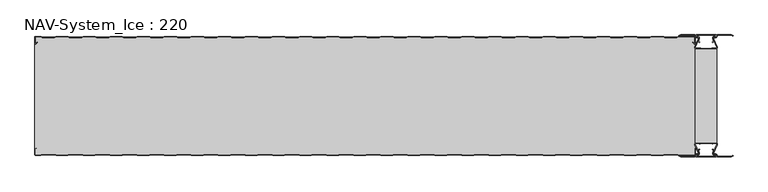
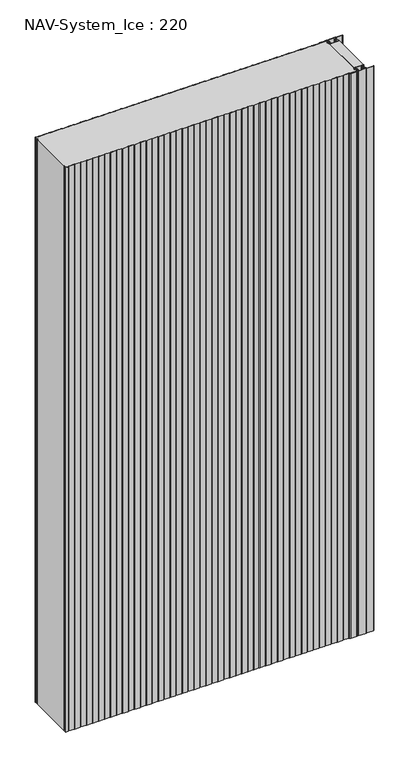
"""IFC4 building model written with IfcOpenShell, lengths in millimetres: plate geometry, NAV-System_Ice : 220."""

from ifc_helpers import new_model, si_unit, point, frame_2d, origin, origin_with_axes, place, context, project, spatial, polyline, circle_curve, trimmed, segment, composite_curve, outline, extrude, source, transform, mapped, element, save


def nav_system_ice_220_241b7546(model_context):
    return source(origin(), model_context, "Body", "SweptSolid", [
        extrude(outline(polyline([(630.0, -196.9693935), (590.0, -196.9693935), (590.0, -23.0306065), (630.0, -23.0306065), (630.0, -196.9693935)])), origin_with_axes(), (0.0, 0.0, 1.0), 2500.0),
        extrude(outline(composite_curve([segment(trimmed(circle_curve(frame_2d((599.1138734, -211.8417863)), 3.357884), [point((596.1169606, -213.3563483))], [point((597.7243711, -208.7848813))], False, "CARTESIAN"), True, "CONTINUOUS"), segment(polyline([(597.7243711, -208.7848813), (598.0554135, -209.5131744)]), True, "CONTINUOUS"), segment(trimmed(circle_curve(frame_2d((599.1138734, -211.8417863)), 2.557884), [point((598.0554135, -209.5131744))], [point((596.8448746, -213.0226397))], True, "CARTESIAN"), True, "CONTINUOUS"), segment(polyline([(596.8448746, -213.0226397), (597.7376807, -215.2182139)]), True, "CONTINUOUS"), segment(trimmed(circle_curve(frame_2d((593.7962884, -216.3456266)), 4.0994674), [point((597.7376807, -215.2182139))], [point((593.7866434, -220.4450826))], False, "CARTESIAN"), True, "CONTINUOUS"), segment(polyline([(593.7866434, -220.4450826), (592.2194901, -220.4092333)]), True, "CONTINUOUS"), segment(trimmed(circle_curve(frame_2d((592.2592624, -221.3027113)), 0.8943628), [point((592.2194901, -220.4092333))], [point((592.2592624, -222.1970741))], True, "CARTESIAN"), True, "CONTINUOUS"), segment(polyline([(592.2592624, -222.1970741), (627.7407376, -222.1970741)]), True, "CONTINUOUS"), segment(trimmed(circle_curve(frame_2d((627.7407376, -221.3027113)), 0.8943628), [point((627.7407376, -222.1970741))], [point((627.7805099, -220.4092333))], True, "CARTESIAN"), True, "CONTINUOUS"), segment(polyline([(627.7805099, -220.4092333), (626.2133566, -220.4450826)]), True, "CONTINUOUS"), segment(trimmed(circle_curve(frame_2d((626.2037116, -216.3456266)), 4.0994674), [point((626.2133566, -220.4450826))], [point((622.2623193, -215.2182139))], False, "CARTESIAN"), True, "CONTINUOUS"), segment(polyline([(622.2623193, -215.2182139), (623.1551254, -213.0226397)]), True, "CONTINUOUS"), segment(trimmed(circle_curve(frame_2d((620.8861266, -211.8417863)), 2.557884), [point((623.1551254, -213.0226397))], [point((621.9445865, -209.5131744))], True, "CARTESIAN"), True, "CONTINUOUS"), segment(polyline([(621.9445865, -209.5131744), (622.2756289, -208.7848813)]), True, "CONTINUOUS"), segment(trimmed(circle_curve(frame_2d((620.8861266, -211.8417863)), 3.357884), [point((622.2756289, -208.7848813))], [point((623.8830394, -213.3563483))], False, "CARTESIAN"), True, "CONTINUOUS"), segment(polyline([(623.8830394, -213.3563483), (623.0205049, -215.4774793)]), True, "CONTINUOUS"), segment(trimmed(circle_curve(frame_2d((626.2037116, -216.3456266)), 3.2994674), [point((623.0205049, -215.4774793))], [point((626.2037116, -219.645094))], True, "CARTESIAN"), True, "CONTINUOUS"), segment(polyline([(626.2037116, -219.645094), (627.7848884, -219.6089239)]), True, "CONTINUOUS"), segment(trimmed(circle_curve(frame_2d((627.7407376, -221.3027113)), 1.6943628), [point((627.7848884, -219.6089239))], [point((627.7407423, -222.9970741))], False, "CARTESIAN"), True, "CONTINUOUS"), segment(polyline([(627.7407423, -222.9970741), (592.2592577, -222.9970741)]), True, "CONTINUOUS"), segment(trimmed(circle_curve(frame_2d((592.2592624, -221.3027113)), 1.6943628), [point((592.2592577, -222.9970741))], [point((592.2151116, -219.6089239))], False, "CARTESIAN"), True, "CONTINUOUS"), segment(polyline([(592.2151116, -219.6089239), (593.7962884, -219.645094)]), True, "CONTINUOUS"), segment(trimmed(circle_curve(frame_2d((593.7962884, -216.3456266)), 3.2994674), [point((593.7962884, -219.645094))], [point((596.9794951, -215.4774793))], True, "CARTESIAN"), True, "CONTINUOUS"), segment(polyline([(596.9794951, -215.4774793), (596.1169606, -213.3563483)]), True, "CONTINUOUS")], self_intersect=False)), origin_with_axes(), (0.0, 0.0, 1.0), 2500.0),
        extrude(outline(composite_curve([segment(polyline([(596.1169606, -6.6436517), (596.9794951, -4.5225207)]), True, "CONTINUOUS"), segment(trimmed(circle_curve(frame_2d((593.7962884, -3.6543734)), 3.2994674), [point((596.9794951, -4.5225207))], [point((593.7962884, -0.354906))], True, "CARTESIAN"), True, "CONTINUOUS"), segment(polyline([(593.7962884, -0.354906), (592.2151116, -0.3910761)]), True, "CONTINUOUS"), segment(trimmed(circle_curve(frame_2d((592.2592624, 1.3027113)), 1.6943628), [point((592.2151116, -0.3910761))], [point((592.2592577, 2.9970741))], False, "CARTESIAN"), True, "CONTINUOUS"), segment(polyline([(592.2592577, 2.9970741), (627.7407423, 2.9970741)]), True, "CONTINUOUS"), segment(trimmed(circle_curve(frame_2d((627.7407376, 1.3027113)), 1.6943628), [point((627.7407423, 2.9970741))], [point((627.7848884, -0.3910761))], False, "CARTESIAN"), True, "CONTINUOUS"), segment(polyline([(627.7848884, -0.3910761), (626.2037116, -0.354906)]), True, "CONTINUOUS"), segment(trimmed(circle_curve(frame_2d((626.2037116, -3.6543734)), 3.2994674), [point((626.2037116, -0.354906))], [point((623.0205049, -4.5225207))], True, "CARTESIAN"), True, "CONTINUOUS"), segment(polyline([(623.0205049, -4.5225207), (623.8830394, -6.6436517)]), True, "CONTINUOUS"), segment(trimmed(circle_curve(frame_2d((620.8861266, -8.1582137)), 3.357884), [point((623.8830394, -6.6436517))], [point((622.2756289, -11.2151187))], False, "CARTESIAN"), True, "CONTINUOUS"), segment(polyline([(622.2756289, -11.2151187), (621.9445865, -10.4868256)]), True, "CONTINUOUS"), segment(trimmed(circle_curve(frame_2d((620.8861266, -8.1582137)), 2.557884), [point((621.9445865, -10.4868256))], [point((623.1551254, -6.9773603))], True, "CARTESIAN"), True, "CONTINUOUS"), segment(polyline([(623.1551254, -6.9773603), (622.2623193, -4.7817861)]), True, "CONTINUOUS"), segment(trimmed(circle_curve(frame_2d((626.2037116, -3.6543734)), 4.0994674), [point((622.2623193, -4.7817861))], [point((626.2133566, 0.4450826))], False, "CARTESIAN"), True, "CONTINUOUS"), segment(polyline([(626.2133566, 0.4450826), (627.7805099, 0.4092333)]), True, "CONTINUOUS"), segment(trimmed(circle_curve(frame_2d((627.7407376, 1.3027113)), 0.8943628), [point((627.7805099, 0.4092333))], [point((627.7407376, 2.1970741))], True, "CARTESIAN"), True, "CONTINUOUS"), segment(polyline([(627.7407376, 2.1970741), (592.2592624, 2.1970741)]), True, "CONTINUOUS"), segment(trimmed(circle_curve(frame_2d((592.2592624, 1.3027113)), 0.8943628), [point((592.2592624, 2.1970741))], [point((592.2194901, 0.4092333))], True, "CARTESIAN"), True, "CONTINUOUS"), segment(polyline([(592.2194901, 0.4092333), (593.7866434, 0.4450826)]), True, "CONTINUOUS"), segment(trimmed(circle_curve(frame_2d((593.7962884, -3.6543734)), 4.0994674), [point((593.7866434, 0.4450826))], [point((597.7376807, -4.7817861))], False, "CARTESIAN"), True, "CONTINUOUS"), segment(polyline([(597.7376807, -4.7817861), (596.8448746, -6.9773603)]), True, "CONTINUOUS"), segment(trimmed(circle_curve(frame_2d((599.1138734, -8.1582137)), 2.557884), [point((596.8448746, -6.9773603))], [point((598.0554135, -10.4868256))], True, "CARTESIAN"), True, "CONTINUOUS"), segment(polyline([(598.0554135, -10.4868256), (597.7243711, -11.2151187)]), True, "CONTINUOUS"), segment(trimmed(circle_curve(frame_2d((599.1138734, -8.1582137)), 3.357884), [point((597.7243711, -11.2151187))], [point((596.1169606, -6.6436517))], False, "CARTESIAN"), True, "CONTINUOUS")], self_intersect=False)), origin_with_axes(), (0.0, 0.0, 1.0), 2500.0),
        extrude(outline(composite_curve([segment(trimmed(circle_curve(frame_2d((591.9446371, -199.7746821)), 1.80576), [point((591.9446371, -197.9689221))], [point((590.2170288, -200.300171))], True, "CARTESIAN"), True, "CONTINUOUS"), segment(polyline([(590.2170288, -200.300171), (596.4690067, -214.9459892)]), True, "CONTINUOUS"), segment(trimmed(circle_curve(frame_2d((593.7254406, -215.9868127)), 2.93436), [point((596.4690067, -214.9459892))], [point((593.7254406, -218.9211727))], False, "CARTESIAN"), True, "CONTINUOUS"), segment(polyline([(593.7254406, -218.9211727), (592.1347887, -218.9211727)]), True, "CONTINUOUS"), segment(trimmed(circle_curve(frame_2d((592.1347887, -220.5012127)), 1.58004), [point((592.1347887, -218.9211727))], [point((590.931072, -219.4776931))], True, "CARTESIAN"), True, "CONTINUOUS"), segment(polyline([(590.931072, -219.4776931), (589.0191946, -223.0112573), (562.9417977, -223.0112573), (560.0, -221.2043676), (560.523373, -220.3522639), (563.2243806, -222.0112573), (588.4232658, -222.0112573), (590.0952671, -218.9210361)]), True, "CONTINUOUS"), segment(trimmed(circle_curve(frame_2d((592.1347887, -220.5012127)), 2.58004), [point((590.0952671, -218.9210361))], [point((592.1347887, -217.9211727))], False, "CARTESIAN"), True, "CONTINUOUS"), segment(polyline([(592.1347887, -217.9211727), (593.7254406, -217.9211727)]), True, "CONTINUOUS"), segment(trimmed(circle_curve(frame_2d((593.7254406, -215.9868127)), 1.93436), [point((593.7254406, -217.9211727))], [point((595.5404425, -215.3178459))], True, "CARTESIAN"), True, "CONTINUOUS"), segment(polyline([(595.5404425, -215.3178459), (589.2784311, -200.6484726)]), True, "CONTINUOUS"), segment(trimmed(circle_curve(frame_2d((591.9446225, -199.7747413)), 2.8057055), [point((589.2784311, -200.6484726))], [point((591.9446225, -196.9690357))], False, "CARTESIAN"), True, "CONTINUOUS"), segment(polyline([(591.9446225, -196.9690357), (595.755568, -196.9690357)]), True, "CONTINUOUS"), segment(trimmed(circle_curve(frame_2d((595.7555679, -199.0975873)), 2.1285516), [point((595.755568, -196.9690357))], [point((597.1042828, -197.4508633))], False, "CARTESIAN"), True, "CONTINUOUS"), segment(trimmed(circle_curve(frame_2d((598.2552034, -196.0456377)), 1.8163913), [point((597.1042828, -197.4508633))], [point((599.4059468, -197.4510085))], True, "CARTESIAN"), True, "CONTINUOUS"), segment(trimmed(circle_curve(frame_2d((600.7543352, -199.0977575)), 2.128364), [point((599.4059468, -197.4510085))], [point((600.7543352, -196.9693935))], False, "CARTESIAN"), True, "CONTINUOUS"), segment(polyline([(600.7543352, -196.9693935), (619.2454674, -196.9693935)]), True, "CONTINUOUS"), segment(trimmed(circle_curve(frame_2d((619.2454674, -199.0977884)), 2.1283949), [point((619.2454674, -196.9693935))], [point((620.594293, -197.4513576))], False, "CARTESIAN"), True, "CONTINUOUS"), segment(trimmed(circle_curve(frame_2d((621.7456338, -196.0459847)), 1.8167715), [point((620.594293, -197.4513576))], [point((622.8963798, -197.4518446))], True, "CARTESIAN"), True, "CONTINUOUS"), segment(trimmed(circle_curve(frame_2d((624.244105, -199.0983528)), 2.1277576), [point((622.8963798, -197.4518446))], [point((624.244105, -196.9705952))], False, "CARTESIAN"), True, "CONTINUOUS"), segment(polyline([(624.244105, -196.9705952), (628.0535675, -196.9705952)]), True, "CONTINUOUS"), segment(trimmed(circle_curve(frame_2d((628.0535675, -199.7787791)), 2.8081839), [point((628.0535675, -196.9705952))], [point((630.7287795, -200.6326746))], False, "CARTESIAN"), True, "CONTINUOUS"), segment(polyline([(630.7287795, -200.6326746), (624.4595575, -215.3178459)]), True, "CONTINUOUS"), segment(trimmed(circle_curve(frame_2d((626.2745595, -215.9868127)), 1.93436), [point((624.4595575, -215.3178459))], [point((626.2745595, -217.9211727))], True, "CARTESIAN"), True, "CONTINUOUS"), segment(polyline([(626.2745595, -217.9211727), (627.8652113, -217.9211727)]), True, "CONTINUOUS"), segment(trimmed(circle_curve(frame_2d((627.8652113, -220.5012127)), 2.58004), [point((627.8652113, -217.9211727))], [point((629.9047329, -218.9210361))], False, "CARTESIAN"), True, "CONTINUOUS"), segment(polyline([(629.9047329, -218.9210361), (631.5767342, -222.0112573), (656.7756194, -222.0112573), (659.476627, -220.3522639), (660.0, -221.2043676), (657.0582024, -223.0112573), (630.9808054, -223.0112573), (629.068928, -219.4776931)]), True, "CONTINUOUS"), segment(trimmed(circle_curve(frame_2d((627.8652113, -220.5012127)), 1.58004), [point((629.068928, -219.4776931))], [point((627.8652113, -218.9211727))], True, "CARTESIAN"), True, "CONTINUOUS"), segment(polyline([(627.8652113, -218.9211727), (626.2745595, -218.9211727)]), True, "CONTINUOUS"), segment(trimmed(circle_curve(frame_2d((626.2745595, -215.9868127)), 2.93436), [point((626.2745595, -218.9211727))], [point((623.5309933, -214.9459892))], False, "CARTESIAN"), True, "CONTINUOUS"), segment(polyline([(623.5309933, -214.9459892), (629.7829713, -200.300171)]), True, "CONTINUOUS"), segment(trimmed(circle_curve(frame_2d((628.0553629, -199.7746822)), 1.80576), [point((629.7829713, -200.300171))], [point((628.0553629, -197.9689222))], True, "CARTESIAN"), True, "CONTINUOUS"), segment(polyline([(628.0553629, -197.9689222), (623.5184731, -197.9689222)]), True, "CONTINUOUS"), segment(trimmed(circle_curve(frame_2d((621.7449981, -196.0455076)), 2.6162449), [point((623.5184731, -197.9689222))], [point((619.7766029, -197.7689222))], False, "CARTESIAN"), True, "CONTINUOUS"), segment(polyline([(619.7766029, -197.7689222), (600.2233971, -197.7689222)]), True, "CONTINUOUS"), segment(trimmed(circle_curve(frame_2d((598.255002, -196.0455076)), 2.6162449), [point((600.2233971, -197.7689222))], [point((596.4815269, -197.9689221))], False, "CARTESIAN"), True, "CONTINUOUS"), segment(polyline([(596.4815269, -197.9689221), (591.9446371, -197.9689221)]), True, "CONTINUOUS")], self_intersect=False)), origin_with_axes(), (0.0, 0.0, 1.0), 2500.0),
        extrude(outline(composite_curve([segment(polyline([(591.9446371, -22.0310778), (596.4815269, -22.0310778)]), True, "CONTINUOUS"), segment(trimmed(circle_curve(frame_2d((598.2550019, -23.9544924)), 2.6162449), [point((596.4815269, -22.0310778))], [point((600.2233971, -22.2310778))], False, "CARTESIAN"), True, "CONTINUOUS"), segment(polyline([(600.2233971, -22.2310778), (619.7766029, -22.2310778)]), True, "CONTINUOUS"), segment(trimmed(circle_curve(frame_2d((621.7449981, -23.9544924)), 2.6162449), [point((619.7766029, -22.2310778))], [point((623.5184731, -22.0310778))], False, "CARTESIAN"), True, "CONTINUOUS"), segment(polyline([(623.5184731, -22.0310778), (628.0553629, -22.0310778)]), True, "CONTINUOUS"), segment(trimmed(circle_curve(frame_2d((628.0553629, -20.2253178)), 1.80576), [point((628.0553629, -22.0310778))], [point((629.7829712, -19.699829))], True, "CARTESIAN"), True, "CONTINUOUS"), segment(polyline([(629.7829712, -19.699829), (623.5309933, -5.0540108)]), True, "CONTINUOUS"), segment(trimmed(circle_curve(frame_2d((626.2745594, -4.0131873)), 2.93436), [point((623.5309933, -5.0540108))], [point((626.2745594, -1.0788273))], False, "CARTESIAN"), True, "CONTINUOUS"), segment(polyline([(626.2745594, -1.0788273), (627.8652113, -1.0788273)]), True, "CONTINUOUS"), segment(trimmed(circle_curve(frame_2d((627.8652113, 0.5012127)), 1.58004), [point((627.8652113, -1.0788273))], [point((629.068928, -0.5223069))], True, "CARTESIAN"), True, "CONTINUOUS"), segment(polyline([(629.068928, -0.5223069), (630.9808054, 3.0112573), (657.0582023, 3.0112573), (660.0, 1.2043676), (659.476627, 0.3522639), (656.7756194, 2.0112573), (631.5767342, 2.0112573), (629.9047329, -1.0789639)]), True, "CONTINUOUS"), segment(trimmed(circle_curve(frame_2d((627.8652113, 0.5012127)), 2.58004), [point((629.9047329, -1.0789639))], [point((627.8652113, -2.0788273))], False, "CARTESIAN"), True, "CONTINUOUS"), segment(polyline([(627.8652113, -2.0788273), (626.2745594, -2.0788273)]), True, "CONTINUOUS"), segment(trimmed(circle_curve(frame_2d((626.2745594, -4.0131873)), 1.93436), [point((626.2745594, -2.0788273))], [point((624.4595575, -4.6821541))], True, "CARTESIAN"), True, "CONTINUOUS"), segment(polyline([(624.4595575, -4.6821541), (630.7287795, -19.3673254)]), True, "CONTINUOUS"), segment(trimmed(circle_curve(frame_2d((628.0535675, -20.2212209)), 2.8081839), [point((630.7287795, -19.3673254))], [point((628.0535675, -23.0294048))], False, "CARTESIAN"), True, "CONTINUOUS"), segment(polyline([(628.0535675, -23.0294048), (624.244105, -23.0294048)]), True, "CONTINUOUS"), segment(trimmed(circle_curve(frame_2d((624.244105, -20.9016472)), 2.1277576), [point((624.244105, -23.0294048))], [point((622.8963798, -22.5481554))], False, "CARTESIAN"), True, "CONTINUOUS"), segment(trimmed(circle_curve(frame_2d((621.7456337, -23.9540153)), 1.8167716), [point((622.8963798, -22.5481554))], [point((620.5942929, -22.5486423))], True, "CARTESIAN"), True, "CONTINUOUS"), segment(trimmed(circle_curve(frame_2d((619.2454674, -20.9022116)), 2.1283949), [point((620.5942929, -22.5486423))], [point((619.2454674, -23.0306065))], False, "CARTESIAN"), True, "CONTINUOUS"), segment(polyline([(619.2454674, -23.0306065), (600.7543352, -23.0306065)]), True, "CONTINUOUS"), segment(trimmed(circle_curve(frame_2d((600.7543352, -20.9022425)), 2.128364), [point((600.7543352, -23.0306065))], [point((599.4059468, -22.5489915))], False, "CARTESIAN"), True, "CONTINUOUS"), segment(trimmed(circle_curve(frame_2d((598.2552034, -23.9543623)), 1.8163912), [point((599.4059468, -22.5489915))], [point((597.1042828, -22.5491367))], True, "CARTESIAN"), True, "CONTINUOUS"), segment(trimmed(circle_curve(frame_2d((595.7555679, -20.9024127)), 2.1285516), [point((597.1042828, -22.5491367))], [point((595.7555679, -23.0309643))], False, "CARTESIAN"), True, "CONTINUOUS"), segment(polyline([(595.7555679, -23.0309643), (591.9446225, -23.0309643)]), True, "CONTINUOUS"), segment(trimmed(circle_curve(frame_2d((591.9446225, -20.2252587)), 2.8057055), [point((591.9446225, -23.0309643))], [point((589.2784311, -19.3515274))], False, "CARTESIAN"), True, "CONTINUOUS"), segment(polyline([(589.2784311, -19.3515274), (595.5404425, -4.6821541)]), True, "CONTINUOUS"), segment(trimmed(circle_curve(frame_2d((593.7254406, -4.0131873)), 1.93436), [point((595.5404425, -4.6821541))], [point((593.7254406, -2.0788273))], True, "CARTESIAN"), True, "CONTINUOUS"), segment(polyline([(593.7254406, -2.0788273), (592.1347887, -2.0788273)]), True, "CONTINUOUS"), segment(trimmed(circle_curve(frame_2d((592.1347887, 0.5012127)), 2.58004), [point((592.1347887, -2.0788273))], [point((590.0952671, -1.0789639))], False, "CARTESIAN"), True, "CONTINUOUS"), segment(polyline([(590.0952671, -1.0789639), (588.4232658, 2.0112573), (563.2243806, 2.0112573), (560.523373, 0.3522639), (560.0, 1.2043676), (562.9417977, 3.0112573), (589.0191946, 3.0112573), (590.931072, -0.5223069)]), True, "CONTINUOUS"), segment(trimmed(circle_curve(frame_2d((592.1347887, 0.5012127)), 1.58004), [point((590.931072, -0.5223069))], [point((592.1347887, -1.0788273))], True, "CARTESIAN"), True, "CONTINUOUS"), segment(polyline([(592.1347887, -1.0788273), (593.7254406, -1.0788273)]), True, "CONTINUOUS"), segment(trimmed(circle_curve(frame_2d((593.7254406, -4.0131873)), 2.93436), [point((593.7254406, -1.0788273))], [point((596.4690067, -5.0540108))], False, "CARTESIAN"), True, "CONTINUOUS"), segment(polyline([(596.4690067, -5.0540108), (590.2170288, -19.699829)]), True, "CONTINUOUS"), segment(trimmed(circle_curve(frame_2d((591.9446371, -20.2253178)), 1.80576), [point((590.2170288, -19.699829))], [point((591.9446371, -22.0310778))], True, "CARTESIAN"), True, "CONTINUOUS")], self_intersect=False)), origin_with_axes(), (0.0, 0.0, 1.0), 2500.0),
        extrude(outline(composite_curve([segment(polyline([(559.1298221, -0.8), (556.1298221, -1.8), (533.8701779, -1.8), (530.8701779, -0.8), (509.1298221, -0.8), (506.1298221, -1.8), (483.8701779, -1.8), (480.8701779, -0.8), (459.1298221, -0.8), (456.1298221, -1.8), (433.8701779, -1.8), (430.8701779, -0.8), (409.1298221, -0.8), (406.1298221, -1.8), (383.8701779, -1.8), (380.8701779, -0.8), (359.1298221, -0.8), (356.1298221, -1.8), (333.8701779, -1.8), (330.8701779, -0.8), (309.1298221, -0.8), (306.1298221, -1.8), (283.8701779, -1.8), (280.8701779, -0.8), (259.1298221, -0.8), (256.1298221, -1.8), (233.8701779, -1.8), (230.8701779, -0.8), (209.1298221, -0.8), (206.1298221, -1.8), (183.8701779, -1.8), (180.8701779, -0.8), (159.1298221, -0.8), (156.1298221, -1.8), (133.8701779, -1.8), (130.8701779, -0.8), (109.1298221, -0.8), (106.1298221, -1.8), (83.8701779, -1.8), (80.8701779, -0.8), (59.1298221, -0.8), (56.1298221, -1.8), (33.8701779, -1.8), (30.8701779, -0.8), (9.1298221, -0.8), (6.1298221, -1.8), (-16.1298221, -1.8), (-19.1298221, -0.8), (-40.8701779, -0.8), (-43.8701779, -1.8), (-66.1298221, -1.8), (-69.1298221, -0.8), (-90.8701779, -0.8), (-93.8701779, -1.8), (-116.1298221, -1.8), (-119.1298221, -0.8), (-140.8701779, -0.8), (-143.8701779, -1.8), (-166.1298221, -1.8), (-169.1298221, -0.8), (-190.8701779, -0.8), (-193.8701779, -1.8), (-216.1298221, -1.8), (-219.1298221, -0.8), (-240.8701779, -0.8), (-243.8701779, -1.8), (-266.1298221, -1.8), (-269.1298221, -0.8), (-290.8701779, -0.8), (-293.8701779, -1.8), (-316.1298221, -1.8), (-319.1298221, -0.8), (-340.8701779, -0.8), (-343.8701779, -1.8), (-366.1298221, -1.8), (-369.1298221, -0.8), (-390.8701779, -0.8), (-393.8701779, -1.8), (-416.1298221, -1.8), (-419.1298221, -0.8), (-440.8701779, -0.8), (-443.8701779, -1.8), (-466.1298221, -1.8), (-469.1298221, -0.8), (-490.8701779, -0.8), (-493.8701779, -1.8), (-516.1298221, -1.8), (-519.1298221, -0.8), (-540.8701779, -0.8), (-543.8701779, -1.8), (-566.1298221, -1.8), (-569.1298221, -0.8), (-590.8701779, -0.8), (-593.8701779, -1.8), (-616.1298221, -1.8), (-619.1298221, -0.8), (-628.7, -0.8)]), True, "CONTINUOUS"), segment(trimmed(circle_curve(frame_2d((-628.7, -1.3)), 0.5), [point((-628.7, -0.8))], [point((-629.2, -1.3))], True, "CARTESIAN"), True, "CONTINUOUS"), segment(polyline([(-629.2, -1.3), (-629.2, -12.5857864)]), True, "CONTINUOUS"), segment(trimmed(circle_curve(frame_2d((-628.7, -12.5857864)), 0.5), [point((-629.2, -12.5857864))], [point((-628.3464466, -12.9393398))], True, "CARTESIAN"), True, "CONTINUOUS"), segment(polyline([(-628.3464466, -12.9393398), (-625.9205321, -10.5134253), (-625.3548467, -11.0791108), (-627.7807612, -13.5050253)]), True, "CONTINUOUS"), segment(trimmed(circle_curve(frame_2d((-628.7, -12.5857864)), 1.3), [point((-627.7807612, -13.5050253))], [point((-630.0, -12.5857864))], False, "CARTESIAN"), True, "CONTINUOUS"), segment(polyline([(-630.0, -12.5857864), (-630.0, -1.3)]), True, "CONTINUOUS"), segment(trimmed(circle_curve(frame_2d((-628.7, -1.3)), 1.3), [point((-630.0, -1.3))], [point((-628.7, 0.0))], False, "CARTESIAN"), True, "CONTINUOUS"), segment(polyline([(-628.7, 0.0), (-619.0, 0.0), (-616.0, -1.0), (-594.0, -1.0), (-591.0, 0.0), (-569.0, 0.0), (-566.0, -1.0), (-544.0, -1.0), (-541.0, 0.0), (-519.0, 0.0), (-516.0, -1.0), (-494.0, -1.0), (-491.0, 0.0), (-469.0, 0.0), (-466.0, -1.0), (-444.0, -1.0), (-441.0, 0.0), (-419.0, 0.0), (-416.0, -1.0), (-394.0, -1.0), (-391.0, 0.0), (-369.0, 0.0), (-366.0, -1.0), (-344.0, -1.0), (-341.0, 0.0), (-319.0, 0.0), (-316.0, -1.0), (-294.0, -1.0), (-291.0, 0.0), (-269.0, 0.0), (-266.0, -1.0), (-244.0, -1.0), (-241.0, 0.0), (-219.0, 0.0), (-216.0, -1.0), (-194.0, -1.0), (-191.0, 0.0), (-169.0, 0.0), (-166.0, -1.0), (-144.0, -1.0), (-141.0, 0.0), (-119.0, 0.0), (-116.0, -1.0), (-94.0, -1.0), (-91.0, 0.0), (-69.0, 0.0), (-66.0, -1.0), (-44.0, -1.0), (-41.0, 0.0), (-19.0, 0.0), (-16.0, -1.0), (6.0, -1.0), (9.0, 0.0), (31.0, 0.0), (34.0, -1.0), (56.0, -1.0), (59.0, 0.0), (81.0, 0.0), (84.0, -1.0), (106.0, -1.0), (109.0, 0.0), (131.0, 0.0), (134.0, -1.0), (156.0, -1.0), (159.0, 0.0), (181.0, 0.0), (184.0, -1.0), (206.0, -1.0), (209.0, 0.0), (231.0, 0.0), (234.0, -1.0), (256.0, -1.0), (259.0, 0.0), (281.0, 0.0), (284.0, -1.0), (306.0, -1.0), (309.0, 0.0), (331.0, 0.0), (334.0, -1.0), (356.0, -1.0), (359.0, 0.0), (381.0, 0.0), (384.0, -1.0), (406.0, -1.0), (409.0, 0.0), (431.0, 0.0), (434.0, -1.0), (456.0, -1.0), (459.0, 0.0), (481.0, 0.0), (484.0, -1.0), (506.0, -1.0), (509.0, 0.0), (531.0, 0.0), (534.0, -1.0), (556.0, -1.0), (559.0, 0.0), (588.7, 0.0)]), True, "CONTINUOUS"), segment(trimmed(circle_curve(frame_2d((588.7, -1.3)), 1.3), [point((588.7, 0.0))], [point((590.0, -1.3))], False, "CARTESIAN"), True, "CONTINUOUS"), segment(polyline([(590.0, -1.3), (590.0, -12.5857864)]), True, "CONTINUOUS"), segment(trimmed(circle_curve(frame_2d((588.7, -12.5857864)), 1.3), [point((590.0, -12.5857864))], [point((587.7807612, -13.5050253))], False, "CARTESIAN"), True, "CONTINUOUS"), segment(polyline([(587.7807612, -13.5050253), (585.3548467, -11.0791108), (585.9205321, -10.5134253), (588.3464466, -12.9393398)]), True, "CONTINUOUS"), segment(trimmed(circle_curve(frame_2d((588.7, -12.5857864)), 0.5), [point((588.3464466, -12.9393398))], [point((589.2, -12.5857864))], True, "CARTESIAN"), True, "CONTINUOUS"), segment(polyline([(589.2, -12.5857864), (589.2, -1.3)]), True, "CONTINUOUS"), segment(trimmed(circle_curve(frame_2d((588.7, -1.3)), 0.5), [point((589.2, -1.3))], [point((588.7, -0.8))], True, "CARTESIAN"), True, "CONTINUOUS"), segment(polyline([(588.7, -0.8), (559.1298221, -0.8)]), True, "CONTINUOUS")], self_intersect=False)), origin_with_axes(), (0.0, 0.0, 1.0), 2500.0),
        extrude(outline(composite_curve([segment(polyline([(559.1298221, -0.8), (588.7, -0.8)]), True, "CONTINUOUS"), segment(trimmed(circle_curve(frame_2d((588.7, -1.3)), 0.5), [point((588.7, -0.8))], [point((589.2, -1.3))], False, "CARTESIAN"), True, "CONTINUOUS"), segment(polyline([(589.2, -1.3), (589.2, -12.5857864)]), True, "CONTINUOUS"), segment(trimmed(circle_curve(frame_2d((588.7, -12.5857864)), 0.5), [point((589.2, -12.5857864))], [point((588.3464466, -12.9393398))], False, "CARTESIAN"), True, "CONTINUOUS"), segment(polyline([(588.3464466, -12.9393398), (585.9205321, -10.5134253), (585.3548467, -11.0791108), (587.7807612, -13.5050253)]), True, "CONTINUOUS"), segment(trimmed(circle_curve(frame_2d((588.7, -12.5857864)), 1.3), [point((587.7807612, -13.5050253))], [point((588.7, -13.8857864))], True, "CARTESIAN"), True, "CONTINUOUS"), segment(polyline([(588.7, -13.8857864), (590.0, -13.8857864), (590.0, -206.1142136), (588.7, -206.1142136)]), True, "CONTINUOUS"), segment(trimmed(circle_curve(frame_2d((588.7, -207.4142136)), 1.3), [point((588.7, -206.1142136))], [point((587.7807612, -206.4949747))], True, "CARTESIAN"), True, "CONTINUOUS"), segment(polyline([(587.7807612, -206.4949747), (585.3548467, -208.9208892), (585.9205321, -209.4865747), (588.3464466, -207.0606602)]), True, "CONTINUOUS"), segment(trimmed(circle_curve(frame_2d((588.7, -207.4142136)), 0.5), [point((588.3464466, -207.0606602))], [point((589.2, -207.4142136))], False, "CARTESIAN"), True, "CONTINUOUS"), segment(polyline([(589.2, -207.4142136), (589.2, -218.7)]), True, "CONTINUOUS"), segment(trimmed(circle_curve(frame_2d((588.7, -218.7)), 0.5), [point((589.2, -218.7))], [point((588.7, -219.2))], False, "CARTESIAN"), True, "CONTINUOUS"), segment(polyline([(588.7, -219.2), (559.1298221, -219.2), (556.1298221, -218.2), (533.8701779, -218.2), (530.8701779, -219.2), (509.1298221, -219.2), (506.1298221, -218.2), (483.8701779, -218.2), (480.8701779, -219.2), (459.1298221, -219.2), (456.1298221, -218.2), (433.8701779, -218.2), (430.8701779, -219.2), (409.1298221, -219.2), (406.1298221, -218.2), (383.8701779, -218.2), (380.8701779, -219.2), (359.1298221, -219.2), (356.1298221, -218.2), (333.8701779, -218.2), (330.8701779, -219.2), (309.1298221, -219.2), (306.1298221, -218.2), (283.8701779, -218.2), (280.8701779, -219.2), (259.1298221, -219.2), (256.1298221, -218.2), (233.8701779, -218.2), (230.8701779, -219.2), (209.1298221, -219.2), (206.1298221, -218.2), (183.8701779, -218.2), (180.8701779, -219.2), (159.1298221, -219.2), (156.1298221, -218.2), (133.8701779, -218.2), (130.8701779, -219.2), (109.1298221, -219.2), (106.1298221, -218.2), (83.8701779, -218.2), (80.8701779, -219.2), (59.1298221, -219.2), (56.1298221, -218.2), (33.8701779, -218.2), (30.8701779, -219.2), (9.1298221, -219.2), (6.1298221, -218.2), (-16.1298221, -218.2), (-19.1298221, -219.2), (-40.8701779, -219.2), (-43.8701779, -218.2), (-66.1298221, -218.2), (-69.1298221, -219.2), (-90.8701779, -219.2), (-93.8701779, -218.2), (-116.1298221, -218.2), (-119.1298221, -219.2), (-140.8701779, -219.2), (-143.8701779, -218.2), (-166.1298221, -218.2), (-169.1298221, -219.2), (-190.8701779, -219.2), (-193.8701779, -218.2), (-216.1298221, -218.2), (-219.1298221, -219.2), (-240.8701779, -219.2), (-243.8701779, -218.2), (-266.1298221, -218.2), (-269.1298221, -219.2), (-290.8701779, -219.2), (-293.8701779, -218.2), (-316.1298221, -218.2), (-319.1298221, -219.2), (-340.8701779, -219.2), (-343.8701779, -218.2), (-366.1298221, -218.2), (-369.1298221, -219.2), (-390.8701779, -219.2), (-393.8701779, -218.2), (-416.1298221, -218.2), (-419.1298221, -219.2), (-440.8701779, -219.2), (-443.8701779, -218.2), (-466.1298221, -218.2), (-469.1298221, -219.2), (-490.8701779, -219.2), (-493.8701779, -218.2), (-516.1298221, -218.2), (-519.1298221, -219.2), (-540.8701779, -219.2), (-543.8701779, -218.2), (-566.1298221, -218.2), (-569.1298221, -219.2), (-590.8701779, -219.2), (-593.8701779, -218.2), (-616.1298221, -218.2), (-619.1298221, -219.2), (-628.7, -219.2)]), True, "CONTINUOUS"), segment(trimmed(circle_curve(frame_2d((-628.7, -218.7)), 0.5), [point((-628.7, -219.2))], [point((-629.2, -218.7))], False, "CARTESIAN"), True, "CONTINUOUS"), segment(polyline([(-629.2, -218.7), (-629.2, -207.4142136)]), True, "CONTINUOUS"), segment(trimmed(circle_curve(frame_2d((-628.7, -207.4142136)), 0.5), [point((-629.2, -207.4142136))], [point((-628.3464466, -207.0606602))], False, "CARTESIAN"), True, "CONTINUOUS"), segment(polyline([(-628.3464466, -207.0606602), (-625.9205321, -209.4865747), (-625.3548467, -208.9208892), (-627.7807612, -206.4949747)]), True, "CONTINUOUS"), segment(trimmed(circle_curve(frame_2d((-628.7, -207.4142136)), 1.3), [point((-627.7807612, -206.4949747))], [point((-628.7, -206.1142136))], True, "CARTESIAN"), True, "CONTINUOUS"), segment(polyline([(-628.7, -206.1142136), (-630.0, -206.1142136), (-630.0, -13.8857864), (-628.7, -13.8857864)]), True, "CONTINUOUS"), segment(trimmed(circle_curve(frame_2d((-628.7, -12.5857864)), 1.3), [point((-628.7, -13.8857864))], [point((-627.7807612, -13.5050253))], True, "CARTESIAN"), True, "CONTINUOUS"), segment(polyline([(-627.7807612, -13.5050253), (-625.3548467, -11.0791108), (-625.9205321, -10.5134253), (-628.3464466, -12.9393398)]), True, "CONTINUOUS"), segment(trimmed(circle_curve(frame_2d((-628.7, -12.5857864)), 0.5), [point((-628.3464466, -12.9393398))], [point((-629.2, -12.5857864))], False, "CARTESIAN"), True, "CONTINUOUS"), segment(polyline([(-629.2, -12.5857864), (-629.2, -1.3)]), True, "CONTINUOUS"), segment(trimmed(circle_curve(frame_2d((-628.7, -1.3)), 0.5), [point((-629.2, -1.3))], [point((-628.7, -0.8))], False, "CARTESIAN"), True, "CONTINUOUS"), segment(polyline([(-628.7, -0.8), (-619.1298221, -0.8), (-616.1298221, -1.8), (-593.8701779, -1.8), (-590.8701779, -0.8), (-569.1298221, -0.8), (-566.1298221, -1.8), (-543.8701779, -1.8), (-540.8701779, -0.8), (-519.1298221, -0.8), (-516.1298221, -1.8), (-493.8701779, -1.8), (-490.8701779, -0.8), (-469.1298221, -0.8), (-466.1298221, -1.8), (-443.8701779, -1.8), (-440.8701779, -0.8), (-419.1298221, -0.8), (-416.1298221, -1.8), (-393.8701779, -1.8), (-390.8701779, -0.8), (-369.1298221, -0.8), (-366.1298221, -1.8), (-343.8701779, -1.8), (-340.8701779, -0.8), (-319.1298221, -0.8), (-316.1298221, -1.8), (-293.8701779, -1.8), (-290.8701779, -0.8), (-269.1298221, -0.8), (-266.1298221, -1.8), (-243.8701779, -1.8), (-240.8701779, -0.8), (-219.1298221, -0.8), (-216.1298221, -1.8), (-193.8701779, -1.8), (-190.8701779, -0.8), (-169.1298221, -0.8), (-166.1298221, -1.8), (-143.8701779, -1.8), (-140.8701779, -0.8), (-119.1298221, -0.8), (-116.1298221, -1.8), (-93.8701779, -1.8), (-90.8701779, -0.8), (-69.1298221, -0.8), (-66.1298221, -1.8), (-43.8701779, -1.8), (-40.8701779, -0.8), (-19.1298221, -0.8), (-16.1298221, -1.8), (6.1298221, -1.8), (9.1298221, -0.8), (30.8701779, -0.8), (33.8701779, -1.8), (56.1298221, -1.8), (59.1298221, -0.8), (80.8701779, -0.8), (83.8701779, -1.8), (106.1298221, -1.8), (109.1298221, -0.8), (130.8701779, -0.8), (133.8701779, -1.8), (156.1298221, -1.8), (159.1298221, -0.8), (180.8701779, -0.8), (183.8701779, -1.8), (206.1298221, -1.8), (209.1298221, -0.8), (230.8701779, -0.8), (233.8701779, -1.8), (256.1298221, -1.8), (259.1298221, -0.8), (280.8701779, -0.8), (283.8701779, -1.8), (306.1298221, -1.8), (309.1298221, -0.8), (330.8701779, -0.8), (333.8701779, -1.8), (356.1298221, -1.8), (359.1298221, -0.8), (380.8701779, -0.8), (383.8701779, -1.8), (406.1298221, -1.8), (409.1298221, -0.8), (430.8701779, -0.8), (433.8701779, -1.8), (456.1298221, -1.8), (459.1298221, -0.8), (480.8701779, -0.8), (483.8701779, -1.8), (506.1298221, -1.8), (509.1298221, -0.8), (530.8701779, -0.8), (533.8701779, -1.8), (556.1298221, -1.8), (559.1298221, -0.8)]), True, "CONTINUOUS")], self_intersect=False)), origin_with_axes(), (0.0, 0.0, 1.0), 2500.0),
        extrude(outline(composite_curve([segment(polyline([(559.1298221, -219.2), (588.7, -219.2)]), True, "CONTINUOUS"), segment(trimmed(circle_curve(frame_2d((588.7, -218.7)), 0.5), [point((588.7, -219.2))], [point((589.2, -218.7))], True, "CARTESIAN"), True, "CONTINUOUS"), segment(polyline([(589.2, -218.7), (589.2, -207.4142136)]), True, "CONTINUOUS"), segment(trimmed(circle_curve(frame_2d((588.7, -207.4142136)), 0.5), [point((589.2, -207.4142136))], [point((588.3464466, -207.0606602))], True, "CARTESIAN"), True, "CONTINUOUS"), segment(polyline([(588.3464466, -207.0606602), (585.9205321, -209.4865747), (585.3548467, -208.9208892), (587.7807612, -206.4949747)]), True, "CONTINUOUS"), segment(trimmed(circle_curve(frame_2d((588.7, -207.4142136)), 1.3), [point((587.7807612, -206.4949747))], [point((590.0, -207.4142136))], False, "CARTESIAN"), True, "CONTINUOUS"), segment(polyline([(590.0, -207.4142136), (590.0, -218.7)]), True, "CONTINUOUS"), segment(trimmed(circle_curve(frame_2d((588.7, -218.7)), 1.3), [point((590.0, -218.7))], [point((588.7, -220.0))], False, "CARTESIAN"), True, "CONTINUOUS"), segment(polyline([(588.7, -220.0), (559.0, -220.0), (556.0, -219.0), (534.0, -219.0), (531.0, -220.0), (509.0, -220.0), (506.0, -219.0), (484.0, -219.0), (481.0, -220.0), (459.0, -220.0), (456.0, -219.0), (434.0, -219.0), (431.0, -220.0), (409.0, -220.0), (406.0, -219.0), (384.0, -219.0), (381.0, -220.0), (359.0, -220.0), (356.0, -219.0), (334.0, -219.0), (331.0, -220.0), (309.0, -220.0), (306.0, -219.0), (284.0, -219.0), (281.0, -220.0), (259.0, -220.0), (256.0, -219.0), (234.0, -219.0), (231.0, -220.0), (209.0, -220.0), (206.0, -219.0), (184.0, -219.0), (181.0, -220.0), (159.0, -220.0), (156.0, -219.0), (134.0, -219.0), (131.0, -220.0), (109.0, -220.0), (106.0, -219.0), (84.0, -219.0), (81.0, -220.0), (59.0, -220.0), (56.0, -219.0), (34.0, -219.0), (31.0, -220.0), (9.0, -220.0), (6.0, -219.0), (-16.0, -219.0), (-19.0, -220.0), (-41.0, -220.0), (-44.0, -219.0), (-66.0, -219.0), (-69.0, -220.0), (-91.0, -220.0), (-94.0, -219.0), (-116.0, -219.0), (-119.0, -220.0), (-141.0, -220.0), (-144.0, -219.0), (-166.0, -219.0), (-169.0, -220.0), (-191.0, -220.0), (-194.0, -219.0), (-216.0, -219.0), (-219.0, -220.0), (-241.0, -220.0), (-244.0, -219.0), (-266.0, -219.0), (-269.0, -220.0), (-291.0, -220.0), (-294.0, -219.0), (-316.0, -219.0), (-319.0, -220.0), (-341.0, -220.0), (-344.0, -219.0), (-366.0, -219.0), (-369.0, -220.0), (-391.0, -220.0), (-394.0, -219.0), (-416.0, -219.0), (-419.0, -220.0), (-441.0, -220.0), (-444.0, -219.0), (-466.0, -219.0), (-469.0, -220.0), (-491.0, -220.0), (-494.0, -219.0), (-516.0, -219.0), (-519.0, -220.0), (-541.0, -220.0), (-544.0, -219.0), (-566.0, -219.0), (-569.0, -220.0), (-591.0, -220.0), (-594.0, -219.0), (-616.0, -219.0), (-619.0, -220.0), (-628.7, -220.0)]), True, "CONTINUOUS"), segment(trimmed(circle_curve(frame_2d((-628.7, -218.7)), 1.3), [point((-628.7, -220.0))], [point((-630.0, -218.7))], False, "CARTESIAN"), True, "CONTINUOUS"), segment(polyline([(-630.0, -218.7), (-630.0, -207.4142136)]), True, "CONTINUOUS"), segment(trimmed(circle_curve(frame_2d((-628.7, -207.4142136)), 1.3), [point((-630.0, -207.4142136))], [point((-627.7807612, -206.4949747))], False, "CARTESIAN"), True, "CONTINUOUS"), segment(polyline([(-627.7807612, -206.4949747), (-625.3548467, -208.9208892), (-625.9205321, -209.4865747), (-628.3464466, -207.0606602)]), True, "CONTINUOUS"), segment(trimmed(circle_curve(frame_2d((-628.7, -207.4142136)), 0.5), [point((-628.3464466, -207.0606602))], [point((-629.2, -207.4142136))], True, "CARTESIAN"), True, "CONTINUOUS"), segment(polyline([(-629.2, -207.4142136), (-629.2, -218.7)]), True, "CONTINUOUS"), segment(trimmed(circle_curve(frame_2d((-628.7, -218.7)), 0.5), [point((-629.2, -218.7))], [point((-628.7, -219.2))], True, "CARTESIAN"), True, "CONTINUOUS"), segment(polyline([(-628.7, -219.2), (-619.1298221, -219.2), (-616.1298221, -218.2), (-593.8701779, -218.2), (-590.8701779, -219.2), (-569.1298221, -219.2), (-566.1298221, -218.2), (-543.8701779, -218.2), (-540.8701779, -219.2), (-519.1298221, -219.2), (-516.1298221, -218.2), (-493.8701779, -218.2), (-490.8701779, -219.2), (-469.1298221, -219.2), (-466.1298221, -218.2), (-443.8701779, -218.2), (-440.8701779, -219.2), (-419.1298221, -219.2), (-416.1298221, -218.2), (-393.8701779, -218.2), (-390.8701779, -219.2), (-369.1298221, -219.2), (-366.1298221, -218.2), (-343.8701779, -218.2), (-340.8701779, -219.2), (-319.1298221, -219.2), (-316.1298221, -218.2), (-293.8701779, -218.2), (-290.8701779, -219.2), (-269.1298221, -219.2), (-266.1298221, -218.2), (-243.8701779, -218.2), (-240.8701779, -219.2), (-219.1298221, -219.2), (-216.1298221, -218.2), (-193.8701779, -218.2), (-190.8701779, -219.2), (-169.1298221, -219.2), (-166.1298221, -218.2), (-143.8701779, -218.2), (-140.8701779, -219.2), (-119.1298221, -219.2), (-116.1298221, -218.2), (-93.8701779, -218.2), (-90.8701779, -219.2), (-69.1298221, -219.2), (-66.1298221, -218.2), (-43.8701779, -218.2), (-40.8701779, -219.2), (-19.1298221, -219.2), (-16.1298221, -218.2), (6.1298221, -218.2), (9.1298221, -219.2), (30.8701779, -219.2), (33.8701779, -218.2), (56.1298221, -218.2), (59.1298221, -219.2), (80.8701779, -219.2), (83.8701779, -218.2), (106.1298221, -218.2), (109.1298221, -219.2), (130.8701779, -219.2), (133.8701779, -218.2), (156.1298221, -218.2), (159.1298221, -219.2), (180.8701779, -219.2), (183.8701779, -218.2), (206.1298221, -218.2), (209.1298221, -219.2), (230.8701779, -219.2), (233.8701779, -218.2), (256.1298221, -218.2), (259.1298221, -219.2), (280.8701779, -219.2), (283.8701779, -218.2), (306.1298221, -218.2), (309.1298221, -219.2), (330.8701779, -219.2), (333.8701779, -218.2), (356.1298221, -218.2), (359.1298221, -219.2), (380.8701779, -219.2), (383.8701779, -218.2), (406.1298221, -218.2), (409.1298221, -219.2), (430.8701779, -219.2), (433.8701779, -218.2), (456.1298221, -218.2), (459.1298221, -219.2), (480.8701779, -219.2), (483.8701779, -218.2), (506.1298221, -218.2), (509.1298221, -219.2), (530.8701779, -219.2), (533.8701779, -218.2), (556.1298221, -218.2), (559.1298221, -219.2)]), True, "CONTINUOUS")], self_intersect=False)), origin_with_axes(), (0.0, 0.0, 1.0), 2500.0),
    ])


if __name__ == "__main__":
    model = new_model("IFC4")
    model_context = context("Model", 3, world=origin())
    ifc_project = project(units=[si_unit("LENGTHUNIT", "METRE", prefix="MILLI")], contexts=[model_context])
    site = spatial("IfcSite", under=ifc_project)
    building = spatial("IfcBuilding", under=site)
    placement = place(None, origin())
    nav_system_ice_220_shape = nav_system_ice_220_241b7546(model_context)
    element("IfcPlate", 1, ObjectType="NAV-System_Ice : 220", at=placement, inside=building, context=model_context, shape_type="MappedRepresentation", body=[
        mapped(nav_system_ice_220_shape, transform((0.0, 0.0, 0.0), x_axis=(1.0, 0.0, 0.0), y_axis=(0.0, 1.0, 0.0), z_axis=(0.0, 0.0, 1.0))),
    ])
    save(model, "model.ifc")
